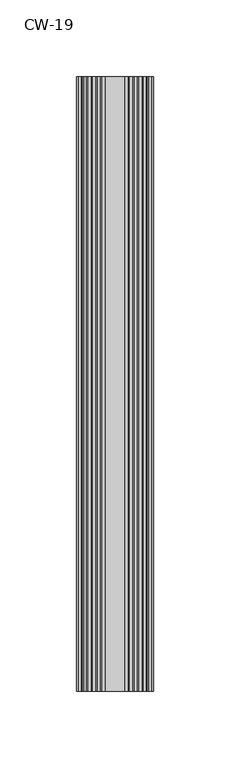
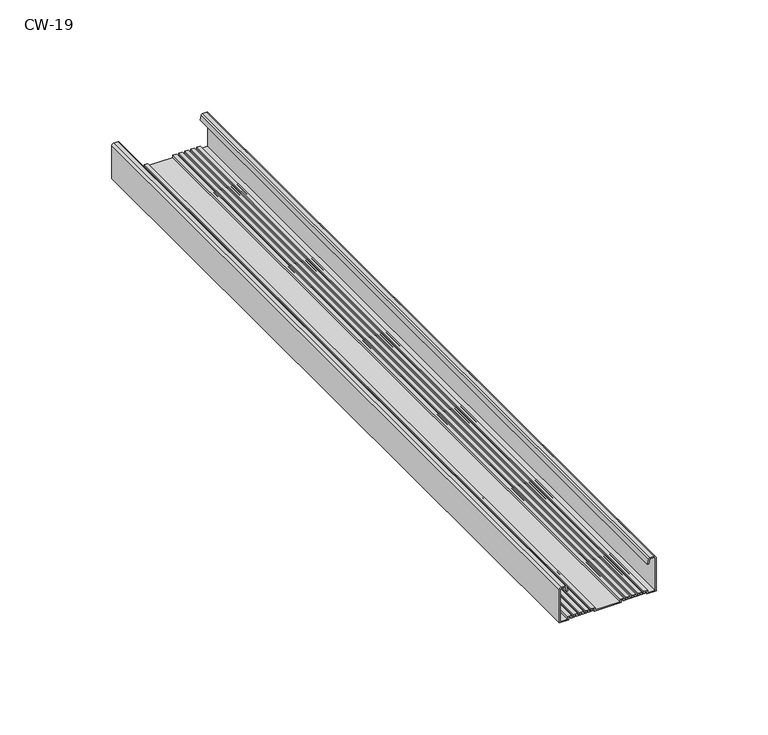
"""IFC4 building model written with IfcOpenShell, lengths in millimetres: proxy geometry, CW-19."""

import ifcopenshell
import ifcopenshell.guid

model = None  # the IFC model being written
_history = None  # IfcOwnerHistory: only IFC2X3 demands one
_inside = {}  # id of a spatial element -> (the spatial element, [elements in it])
_under = {}  # id of a project, library or spatial element -> (it, [spatial elements below it])
_declared = {}  # id of a project -> (the project, [libraries it declares])
_typed = {}  # id of a type object -> (the type object, [elements of that type])
_made_of = {}  # id of a material, layer set ... -> (it, [elements and type objects made of it])


def new_model(schema):
    """Start an empty IFC model of exactly this schema.

    Asked for "IFC4X3", IfcOpenShell would pick the latest addendum, in which some entities
    have other attributes; the version numbers below select the first issue.
    IFC2X3 requires an IfcOwnerHistory on every rooted entity: one is made here for all.
    """
    global model, _history
    if schema == "IFC4X3":
        model = ifcopenshell.file(schema_version=(4, 3, 0, 0))
    else:
        model = ifcopenshell.file(schema=schema)
    _inside.clear()
    _under.clear()
    _declared.clear()
    _typed.clear()
    _made_of.clear()
    _history = None
    if model.schema == "IFC2X3":
        org = make("IfcOrganization", Name="unknown")
        user = make(
            "IfcPersonAndOrganization",
            ThePerson=make("IfcPerson", FamilyName="unknown"),
            TheOrganization=org,
        )
        app = make(
            "IfcApplication",
            ApplicationDeveloper=org,
            Version="unknown",
            ApplicationFullName="unknown",
            ApplicationIdentifier="unknown",
        )
        _history = make(
            "IfcOwnerHistory",
            OwningUser=user,
            OwningApplication=app,
            ChangeAction="ADDED",
            CreationDate=0,
        )
    return model


def make(cls, **values):
    """One entity of the class cls with the attributes given. An attribute that is None is left unset."""
    return model.create_entity(
        cls, **{name: value for name, value in values.items() if value is not None}
    )


def rooted(cls, **values):
    """An entity with a GlobalId (a new one), such as an element, a storey or a relation."""
    return make(cls, GlobalId=ifcopenshell.guid.new(), OwnerHistory=_history, **values)


def si_unit(unit_type, name, prefix=None):
    """IfcSIUnit, for example si_unit("LENGTHUNIT", "METRE", prefix="MILLI")."""
    return make("IfcSIUnit", UnitType=unit_type, Prefix=prefix, Name=name)


def assignment(units):
    """IfcUnitAssignment: the units of a project."""
    return None if units is None else make("IfcUnitAssignment", Units=units)


def point(xyz):
    """IfcCartesianPoint."""
    return None if xyz is None else make("IfcCartesianPoint", Coordinates=xyz)


def direction(xyz):
    """IfcDirection."""
    return None if xyz is None else make("IfcDirection", DirectionRatios=xyz)


def frame(location, z_axis=None, x_axis=None):
    """IfcAxis2Placement3D, a coordinate frame: its origin and axes. An axis left out is left unset."""
    return make(
        "IfcAxis2Placement3D",
        Location=point(location),
        Axis=direction(z_axis),
        RefDirection=direction(x_axis),
    )


def frame_2d(location, x_axis=None):
    """IfcAxis2Placement2D, a coordinate frame in the plane: its origin and x axis."""
    return make(
        "IfcAxis2Placement2D", Location=point(location), RefDirection=direction(x_axis)
    )


def origin():
    """The frame at (0, 0, 0) with its axes left unset."""
    return frame((0.0, 0.0, 0.0))


def place(relative_to, where):
    """IfcLocalPlacement: puts the frame where relative to a parent placement (None: the world)."""
    return make(
        "IfcLocalPlacement", PlacementRelTo=relative_to, RelativePlacement=where
    )


def context(
    kind, dimensions, precision=None, world=None, true_north=None, identifier=None
):
    """IfcGeometricRepresentationContext, for example the 3D "Model" context."""
    return make(
        "IfcGeometricRepresentationContext",
        ContextIdentifier=identifier,
        ContextType=kind,
        CoordinateSpaceDimension=dimensions,
        Precision=precision,
        WorldCoordinateSystem=world,
        TrueNorth=true_north,
    )


def project(units=None, contexts=None):
    """IfcProject with its units and contexts."""
    return rooted(
        "IfcProject",
        Name="project",
        RepresentationContexts=contexts,
        UnitsInContext=assignment(units),
    )


def spatial(cls, under=None, at=None, **own):
    """A site, building, storey or space (cls), placed at a placement, below another one or the project."""
    s = rooted(cls, ObjectPlacement=at, **own)
    if under is not None:
        _under.setdefault(under.id(), (under, []))[1].append(s)
    return s


def polyline(points):
    """IfcPolyline through the points."""
    return make("IfcPolyline", Points=[point(p) for p in points])


def circle_curve(where, radius):
    """IfcCircle in the frame where."""
    return make("IfcCircle", Position=where, Radius=radius)


def trimmed(basis, trim1, trim2, sense, master):
    """IfcTrimmedCurve: the piece of a basis curve between two trims."""
    return make(
        "IfcTrimmedCurve",
        BasisCurve=basis,
        Trim1=trim1,
        Trim2=trim2,
        SenseAgreement=sense,
        MasterRepresentation=master,
    )


def segment(curve, same_sense, transition):
    """IfcCompositeCurveSegment."""
    return make(
        "IfcCompositeCurveSegment",
        Transition=transition,
        SameSense=same_sense,
        ParentCurve=curve,
    )


def composite_curve(segments, self_intersect=None):
    """IfcCompositeCurve: segments joined end to end."""
    return make("IfcCompositeCurve", Segments=segments, SelfIntersect=self_intersect)


def outline(outer, holes=None, kind="AREA"):
    """IfcArbitraryClosedProfileDef: a profile drawn as a closed curve; with holes, ...WithVoids."""
    if holes is None:
        return make("IfcArbitraryClosedProfileDef", ProfileType=kind, OuterCurve=outer)
    return make(
        "IfcArbitraryProfileDefWithVoids",
        ProfileType=kind,
        OuterCurve=outer,
        InnerCurves=holes,
    )


def extrude(swept, where, along, depth):
    """IfcExtrudedAreaSolid: the profile swept, set in the frame where, extruded along a direction by depth."""
    return make(
        "IfcExtrudedAreaSolid",
        SweptArea=swept,
        Position=where,
        ExtrudedDirection=direction(along),
        Depth=depth,
    )


def shape(context_of_items, identifier, shape_type, items):
    """IfcShapeRepresentation: the items that make up one representation, for example the "Body"."""
    return make(
        "IfcShapeRepresentation",
        ContextOfItems=context_of_items,
        RepresentationIdentifier=identifier,
        RepresentationType=shape_type,
        Items=items,
    )


def source(mapping_origin, context_of_items, identifier, shape_type, items):
    """IfcRepresentationMap: a shape defined once, which mapped items show again and again."""
    return make(
        "IfcRepresentationMap",
        MappingOrigin=mapping_origin,
        MappedRepresentation=shape(context_of_items, identifier, shape_type, items),
    )


def transform(
    local_origin,
    x_axis=None,
    y_axis=None,
    z_axis=None,
    scale=None,
    scale2=None,
    scale3=None,
    uniform=True,
):
    """IfcCartesianTransformationOperator3D, or its non-uniform kind. x_axis, y_axis, z_axis: its Axis1, 2, 3."""
    if uniform:
        return make(
            "IfcCartesianTransformationOperator3D",
            Axis1=direction(x_axis),
            Axis2=direction(y_axis),
            LocalOrigin=point(local_origin),
            Scale=scale,
            Axis3=direction(z_axis),
        )
    return make(
        "IfcCartesianTransformationOperator3DnonUniform",
        Axis1=direction(x_axis),
        Axis2=direction(y_axis),
        LocalOrigin=point(local_origin),
        Scale=scale,
        Axis3=direction(z_axis),
        Scale2=scale2,
        Scale3=scale3,
    )


def mapped(mapping_source, mapping_target):
    """IfcMappedItem: shows the shape of a source again, moved by a transform."""
    return make(
        "IfcMappedItem", MappingSource=mapping_source, MappingTarget=mapping_target
    )


def made_of(thing, what):
    """Note that an element or type object is made of a material, layer set ...; save() writes the relation."""
    if what is not None:
        _made_of.setdefault(what.id(), (what, []))[1].append(thing)
    return thing


def element(
    cls,
    number,
    at=None,
    inside=None,
    cuts=None,
    type_object=None,
    material=None,
    context=None,
    identifier="Body",
    shape_type=None,
    held_by="IfcProductDefinitionShape",
    body=None,
    shapes=None,
    **own,
):
    """One element of the class cls, such as IfcWall. Its Tag is "e" and its number.

    at: its placement. inside: the storey or other place that contains it. cuts: it is an
    opening in that element (IfcRelVoidsElement). A single representation is given by context,
    identifier, shape_type and body (its items); several are given by shapes. held_by: the class
    of the entity that holds the representations. save() writes the other relations.
    """
    e = rooted(cls, Tag="e%d" % number, ObjectPlacement=at, **own)
    if body is not None:
        shapes = [shape(context, identifier, shape_type, body)]
    if shapes is not None:
        e.Representation = make(held_by, Representations=shapes)
    if inside is not None:
        _inside.setdefault(inside.id(), (inside, []))[1].append(e)
    if cuts is not None:
        rooted(
            "IfcRelVoidsElement", RelatingBuildingElement=cuts, RelatedOpeningElement=e
        )
    if type_object is not None:
        _typed.setdefault(type_object.id(), (type_object, []))[1].append(e)
    return made_of(e, material)


def aggregate(whole, parts):
    """IfcRelAggregates: a whole, such as a stair, and the parts it consists of."""
    return rooted("IfcRelAggregates", RelatingObject=whole, RelatedObjects=parts)


def save(model, path):
    """Write the relations noted so far, then the file.

    IfcRelAggregates (storeys below a building ...), IfcRelContainedInSpatialStructure (elements
    in a storey), IfcRelDefinesByType, IfcRelAssociatesMaterial and IfcRelDeclares: one each for
    every whole, place, type object, material and project.
    """
    for whole, parts in _under.values():
        aggregate(whole, parts)
    for where, things in _inside.values():
        rooted(
            "IfcRelContainedInSpatialStructure",
            RelatedElements=things,
            RelatingStructure=where,
        )
    for kind, things in _typed.values():
        rooted("IfcRelDefinesByType", RelatedObjects=things, RelatingType=kind)
    for what, things in _made_of.values():
        rooted("IfcRelAssociatesMaterial", RelatedObjects=things, RelatingMaterial=what)
    for by, libraries in _declared.values():
        rooted("IfcRelDeclares", RelatingContext=by, RelatedDefinitions=libraries)
    model.write(path)


def cw_19_b54821ce(model_context):
    return source(origin(), model_context, "Body", "SweptSolid", [
        extrude(outline(composite_curve([segment(trimmed(circle_curve(frame_2d((-1.0, -24.0)), 0.5), [point((-1.0, -24.5))], [point((-0.5, -24.0))], True, "CARTESIAN"), True, "CONTINUOUS"), segment(polyline([(-0.5, -24.0), (-0.5, -21.6466568), (-3.1346768, -21.2973409), (-2.9940841, -20.5), (-0.4479055, -21.1481292)]), True, "CONTINUOUS"), segment(trimmed(circle_curve(frame_2d((-0.7947911, -21.8690108)), 0.8), [point((-0.4479055, -21.1481292))], [point((0.0, -21.7778679))], False, "CARTESIAN"), True, "CONTINUOUS"), segment(polyline([(0.0, -21.7778679), (0.0, -24.0)]), True, "CONTINUOUS"), segment(trimmed(circle_curve(frame_2d((-1.0, -24.0)), 1.0), [point((0.0, -24.0))], [point((-1.0, -25.0))], False, "CARTESIAN"), True, "CONTINUOUS"), segment(polyline([(-1.0, -25.0), (-19.0, -25.0), (-19.0, -20.1), (-17.7, -20.1), (-17.7, -19.2), (-18.5, -19.2), (-18.5, -17.0), (-17.7, -17.0), (-17.7, -16.2), (-18.5, -16.2), (-18.5, -14.0), (-17.7, -14.0), (-17.7, -13.1), (-18.5, -13.1), (-18.5, -10.9), (-17.7, -10.9), (-17.7, -10.1), (-18.5, -10.1), (-18.5, -7.9), (-17.7, -7.9), (-17.7, -7.0), (-19.0, -7.0), (-19.0, 7.0), (-17.7, 7.0), (-17.7, 7.9), (-18.5, 7.9), (-18.5, 10.1), (-17.7, 10.1), (-17.7, 10.9), (-18.5, 10.9), (-18.5, 13.1), (-17.7, 13.1), (-17.7, 14.0), (-18.5, 14.0), (-18.5, 16.2), (-17.7, 16.2), (-17.7, 17.0), (-18.5, 17.0), (-18.5, 19.2), (-17.7, 19.2), (-17.7, 20.1), (-19.0, 20.1), (-19.0, 25.0), (-1.0, 25.0)]), True, "CONTINUOUS"), segment(trimmed(circle_curve(frame_2d((-1.0, 24.0)), 1.0), [point((-1.0, 25.0))], [point((0.0, 24.0))], False, "CARTESIAN"), True, "CONTINUOUS"), segment(polyline([(0.0, 24.0), (0.0, 21.7778679)]), True, "CONTINUOUS"), segment(trimmed(circle_curve(frame_2d((-0.7947911, 21.8690108)), 0.8), [point((0.0, 21.7778679))], [point((-0.4479055, 21.1481292))], False, "CARTESIAN"), True, "CONTINUOUS"), segment(polyline([(-0.4479055, 21.1481292), (-2.9940841, 20.5), (-3.1346768, 21.2973409), (-0.5, 21.6466568), (-0.5, 24.0)]), True, "CONTINUOUS"), segment(trimmed(circle_curve(frame_2d((-1.0, 24.0)), 0.5), [point((-0.5, 24.0))], [point((-1.0, 24.5))], True, "CARTESIAN"), True, "CONTINUOUS"), segment(polyline([(-1.0, 24.5), (-18.5, 24.5), (-18.5, 20.6), (-17.2, 20.6), (-17.2, 18.7), (-18.0, 18.7), (-18.0, 17.5), (-17.2, 17.5), (-17.2, 15.7), (-18.0, 15.7), (-18.0, 14.5), (-17.2, 14.5), (-17.2, 12.6), (-18.0, 12.6), (-18.0, 11.4), (-17.2, 11.4), (-17.2, 9.6), (-18.0, 9.6), (-18.0, 8.4), (-17.2, 8.4), (-17.2, 6.5), (-18.5, 6.5), (-18.5, -6.5), (-17.2, -6.5), (-17.2, -8.4), (-18.0, -8.4), (-18.0, -9.6), (-17.2, -9.6), (-17.2, -11.4), (-18.0, -11.4), (-18.0, -12.6), (-17.2, -12.6), (-17.2, -14.5), (-18.0, -14.5), (-18.0, -15.7), (-17.2, -15.7), (-17.2, -17.5), (-18.0, -17.5), (-18.0, -18.7), (-17.2, -18.7), (-17.2, -20.6), (-18.5, -20.6), (-18.5, -24.5), (-1.0, -24.5)]), True, "CONTINUOUS")], self_intersect=False)), frame((0.0, 0.0, 0.0), z_axis=(0.0, 1.0, 0.0), x_axis=(0.0, 0.0, 1.0)), (0.0, 0.0, 1.0), 400.0),
    ])


if __name__ == "__main__":
    model = new_model("IFC4")
    model_context = context("Model", 3, world=origin())
    ifc_project = project(units=[si_unit("LENGTHUNIT", "METRE", prefix="MILLI")], contexts=[model_context])
    site = spatial("IfcSite", under=ifc_project)
    building = spatial("IfcBuilding", under=site)
    placement = place(None, origin())
    cw_19_shape = cw_19_b54821ce(model_context)
    element("IfcBuildingElementProxy", 1, Name="CW-19", ObjectType="CW-19", at=placement, inside=building, context=model_context, shape_type="MappedRepresentation", body=[
        mapped(cw_19_shape, transform((0.0, 0.0, 0.0), x_axis=(1.0, 0.0, 0.0), y_axis=(0.0, 1.0, 0.0), z_axis=(0.0, 0.0, 1.0))),
    ])
    save(model, "model.ifc")
